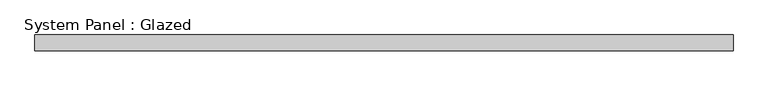
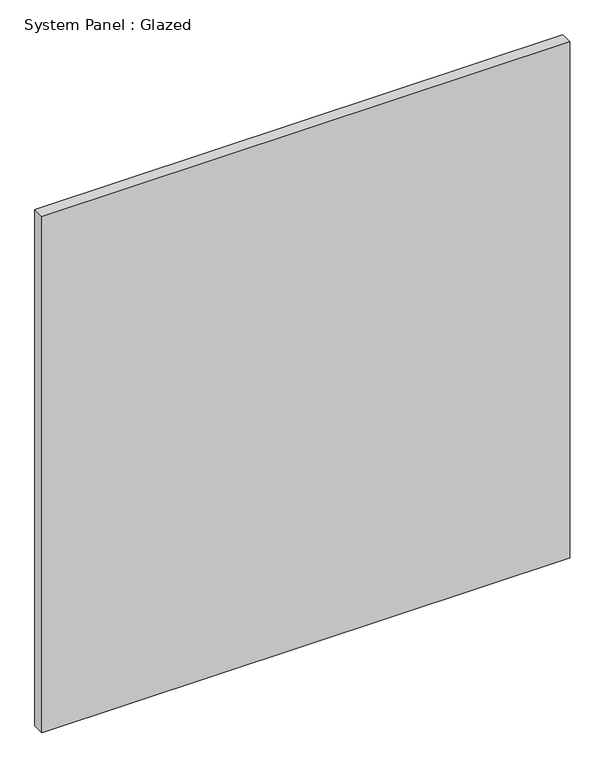
"""IFC4 building model written with IfcOpenShell, lengths in millimetres: plate geometry, System Panel : Glazed."""

from ifc_helpers import new_model, si_unit, origin, origin_with_axes, place, context, project, spatial, polyline, outline, extrude, source, transform, mapped, element, save


def system_panel_glazed_3232ebcd(model_context):
    return source(origin(), model_context, "Body", "SweptSolid", [
        extrude(outline(polyline([(552.45, -12.7), (-552.45, -12.7), (-552.45, 12.7), (552.45, 12.7), (552.45, -12.7)])), origin_with_axes(), (0.0, 0.0, 1.0), 1143.0),
    ])


if __name__ == "__main__":
    model = new_model("IFC4")
    model_context = context("Model", 3, world=origin())
    ifc_project = project(units=[si_unit("LENGTHUNIT", "METRE", prefix="MILLI")], contexts=[model_context])
    site = spatial("IfcSite", under=ifc_project)
    building = spatial("IfcBuilding", under=site)
    placement = place(None, origin())
    system_panel_glazed_shape = system_panel_glazed_3232ebcd(model_context)
    element("IfcPlate", 1, ObjectType="System Panel : Glazed", at=placement, inside=building, context=model_context, shape_type="MappedRepresentation", body=[
        mapped(system_panel_glazed_shape, transform((0.0, 0.0, 0.0), x_axis=(1.0, 0.0, 0.0), y_axis=(0.0, 1.0, 0.0), z_axis=(0.0, 0.0, 1.0))),
    ])
    save(model, "model.ifc")
